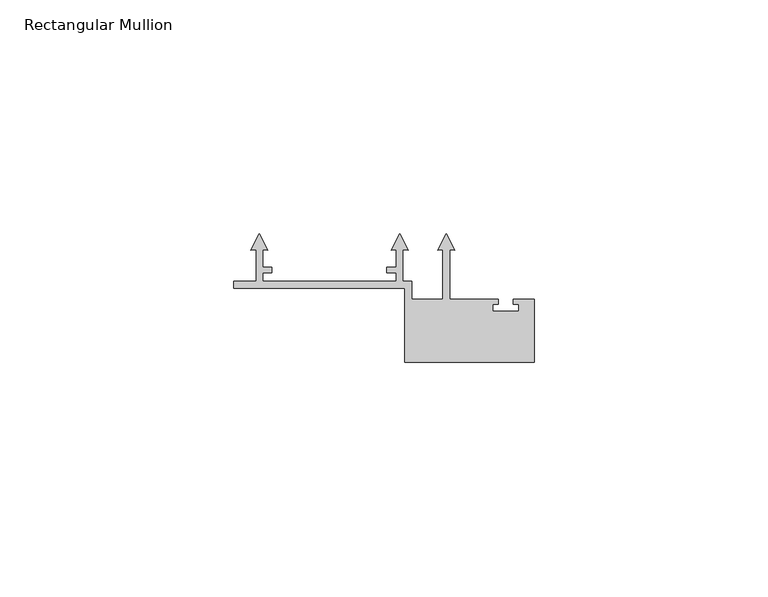
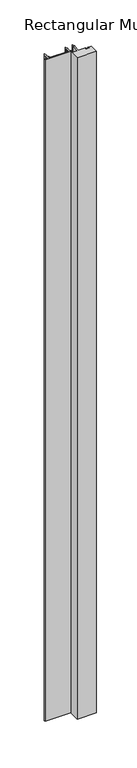
"""IFC4 building model written with IfcOpenShell, lengths in millimetres: member geometry, Rectangular Mullion."""

from ifc_helpers import new_model, si_unit, frame, origin, place, context, project, spatial, polyline, outline, extrude, source, transform, mapped, element, save


def rectangular_mullion_29630c12(model_context):
    return source(origin(), model_context, "Body", "SweptSolid", [
        extrude(outline(polyline([(0.0, -36.2000004), (0.0, -34.7000006), (4.7999998, -34.7000006), (4.8000027, -28.0038205), (3.6842638, -28.101435), (5.5000004, -24.5378476), (7.315737, -28.101435), (6.2000002, -28.0038207), (6.2000002, -31.7000004), (8.2000002, -31.7000004), (8.2000002, -32.9000004), (6.2000002, -32.9000004), (6.2000002, -34.7000006), (34.8000002, -34.7000006), (34.8000002, -32.9000004), (32.8000002, -32.9000004), (32.8000002, -31.7000004), (34.8000002, -31.7000004), (34.8000002, -28.0038207), (33.6842635, -28.101435), (35.5000001, -24.5378476), (37.3157367, -28.101435), (36.1999978, -28.0038205), (36.2000007, -34.7000006), (38.1500005, -34.7000006), (38.1500005, -38.6000002), (44.8000015, -38.6000002), (44.8000015, -28.0038207), (43.6842647, -28.101435), (45.5000013, -24.5378476), (47.3157379, -28.101435), (46.2000001, -28.0038206), (46.2000001, -38.6000002), (56.6500005, -38.6000002), (56.6500005, -39.6000002), (55.5000005, -39.6000002), (55.5000005, -41.1000002), (61.0000005, -41.1000002), (61.0000005, -39.6000002), (59.8500005, -39.6000002), (59.8500005, -38.6000002), (64.3500005, -38.6000002), (64.3500005, -52.1), (36.6500005, -52.1), (36.6500005, -36.2000004), (0.0, -36.2000004)])), frame((0.0, 0.0, -1000.0), z_axis=(0.0, 0.0, 1.0), x_axis=(1.0, 0.0, 0.0)), (0.0, 0.0, 1.0), 1000.0),
    ])


if __name__ == "__main__":
    model = new_model("IFC4")
    model_context = context("Model", 3, world=origin())
    ifc_project = project(units=[si_unit("LENGTHUNIT", "METRE", prefix="MILLI")], contexts=[model_context])
    site = spatial("IfcSite", under=ifc_project)
    building = spatial("IfcBuilding", under=site)
    placement = place(None, origin())
    rectangular_mullion_shape = rectangular_mullion_29630c12(model_context)
    element("IfcMember", 1, ObjectType="Rectangular Mullion", at=placement, inside=building, context=model_context, shape_type="MappedRepresentation", body=[
        mapped(rectangular_mullion_shape, transform((0.0, 0.0, 0.0), x_axis=(1.0, 0.0, 0.0), y_axis=(0.0, 1.0, 0.0), z_axis=(0.0, 0.0, 1.0))),
    ])
    save(model, "model.ifc")
